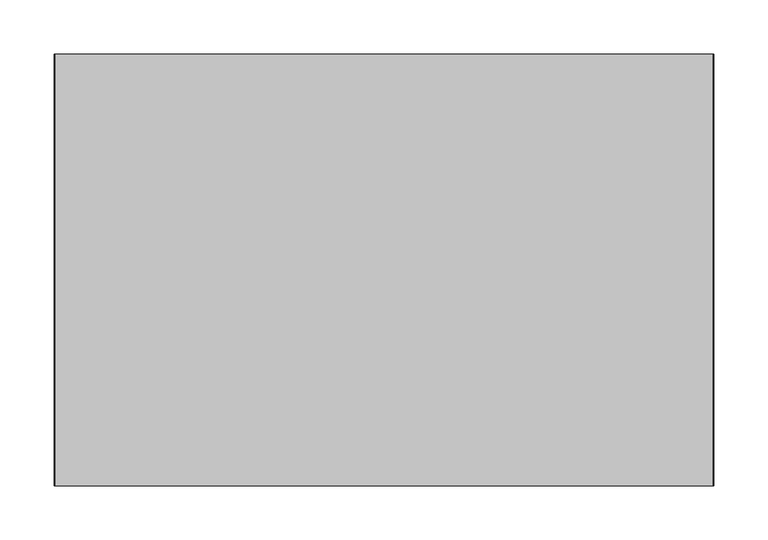
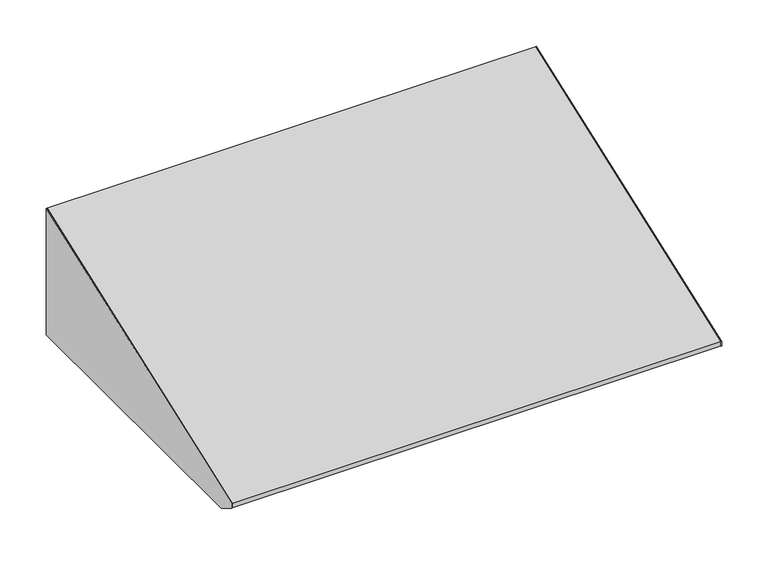
"""IFC4 building model written with IfcOpenShell, lengths in millimetres: furniture geometry."""

from ifc_helpers import new_model, si_unit, frame, origin, place, context, project, spatial, polyline, outline, extrude, source, transform, mapped, element, save


def furniture_1e0adb71(model_context):
    return source(origin(), model_context, "Body", "SweptSolid", [
        extrude(outline(polyline([(-21.75256, 2304.8338151), (-21.75256, 2138.60888), (-398.9953187, 2138.60888), (-420.83736, 2152.4400216), (-420.83736, 2158.5622722), (-21.75256, 2304.8338151)])), frame((322.7439549, 0.0, 0.0), z_axis=(1.0, 0.0, 0.0), x_axis=(0.0, 1.0, 0.0)), (0.0, 0.0, 1.0), 0.79375),
        extrude(outline(polyline([(-21.75256, 2138.60888), (-398.9953187, 2138.60888), (-420.83736, 2152.4400216), (-420.83736, 2158.5622722), (-21.75256, 2304.8338151), (-21.75256, 2138.60888)])), frame((-286.0622951, 0.0, 0.0), z_axis=(1.0, 0.0, 0.0), x_axis=(0.0, 1.0, 0.0)), (0.0, 0.0, 1.0), 0.79375),
        extrude(outline(polyline([(304.488502, -386.2953187), (304.488502, -97.8702473), (322.7439549, -97.8702473), (322.7439549, -386.2953187), (304.488502, -386.2953187)])), frame((0.0, 0.0, 2138.60888), z_axis=(0.0, 0.0, 1.0), x_axis=(1.0, 0.0, 0.0)), (0.0, 0.0, 1.0), 0.79375),
        extrude(outline(polyline([(-21.75256, 2138.60888), (-97.5295544, 2138.60888), (-97.5295544, 2139.40263), (-22.54631, 2139.40263), (-22.54631, 2290.3241589), (-21.75256, 2290.3241589), (-21.75256, 2138.60888)])), frame((312.1081836, 0.0, 0.0), z_axis=(1.0, 0.0, 0.0), x_axis=(0.0, 1.0, 0.0)), (0.0, 0.0, 1.0), 10.6357713),
        extrude(outline(polyline([(-21.75256, 2138.60888), (-97.5295544, 2138.60888), (-97.5295544, 2139.40263), (-22.54631, 2139.40263), (-22.54631, 2290.3241589), (-21.75256, 2290.3241589), (-21.75256, 2138.60888)])), frame((-285.2685451, 0.0, 0.0), z_axis=(1.0, 0.0, 0.0), x_axis=(0.0, 1.0, 0.0)), (0.0, 0.0, 1.0), 10.6357713),
        extrude(outline(polyline([(-285.2685451, -386.2953187), (-285.2685451, -97.8702473), (-267.0130922, -97.8702473), (-267.0130922, -386.2953187), (-285.2685451, -386.2953187)])), frame((0.0, 0.0, 2138.60888), z_axis=(0.0, 0.0, 1.0), x_axis=(1.0, 0.0, 0.0)), (0.0, 0.0, 1.0), 0.79375),
        extrude(outline(polyline([(-420.83736, 2158.5622722), (-21.75256, 2304.8338151), (-21.75256, 2290.3241589), (-22.54631, 2290.3241589), (-22.54631, 2303.6975609), (-420.04361, 2158.0077844), (-420.04361, 2152.8768999), (-221.2358067, 2139.40263), (-386.2953187, 2139.40263), (-386.2953187, 2138.60888), (-398.9953187, 2138.60888), (-420.83736, 2152.4400216), (-420.83736, 2158.5622722)])), frame((-285.2685451, 0.0, 0.0), z_axis=(1.0, 0.0, 0.0), x_axis=(0.0, 1.0, 0.0)), (0.0, 0.0, 1.0), 608.0125),
    ])


if __name__ == "__main__":
    model = new_model("IFC4")
    model_context = context("Model", 3, world=origin())
    ifc_project = project(units=[si_unit("LENGTHUNIT", "METRE", prefix="MILLI")], contexts=[model_context])
    site = spatial("IfcSite", under=ifc_project)
    building = spatial("IfcBuilding", under=site)
    placement = place(None, origin())
    furniture_shape = furniture_1e0adb71(model_context)
    element("IfcFurniture", 1, at=placement, inside=building, context=model_context, shape_type="MappedRepresentation", body=[
        mapped(furniture_shape, transform((0.0, 0.0, 0.0), x_axis=(1.0, 0.0, 0.0), y_axis=(0.0, 1.0, 0.0), z_axis=(0.0, 0.0, 1.0))),
    ])
    save(model, "model.ifc")
